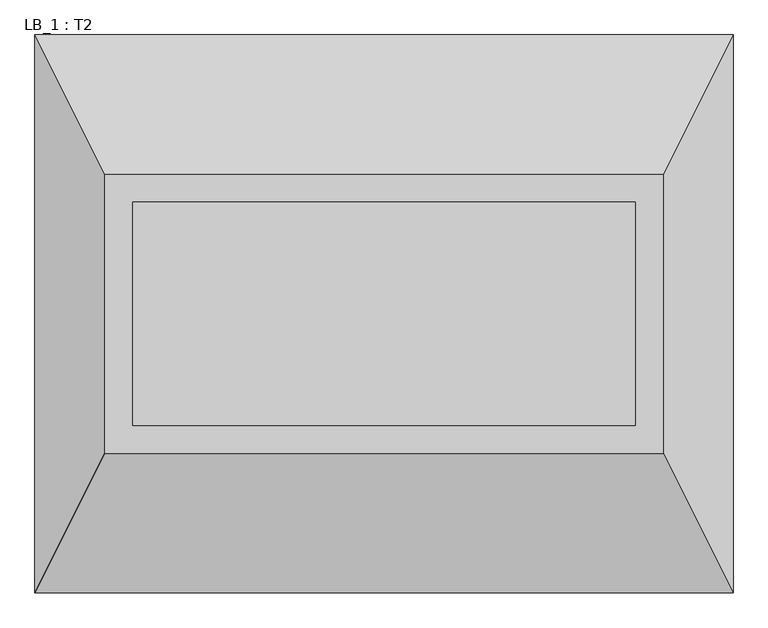
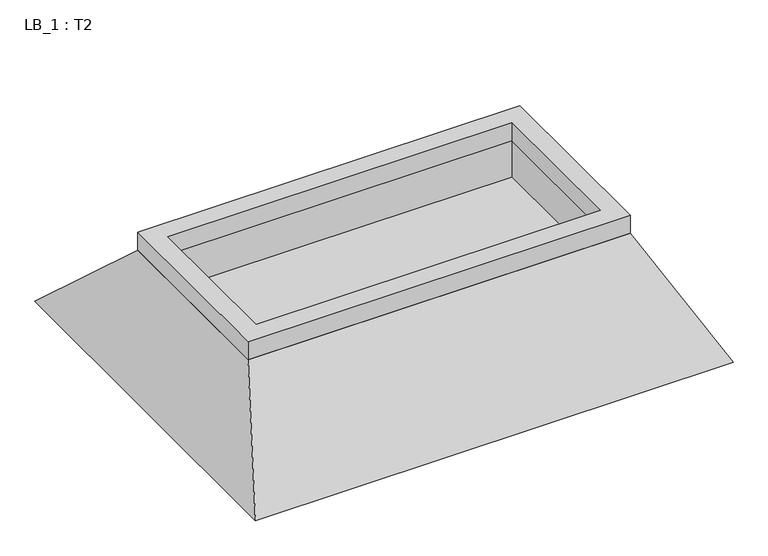
"""IFC4 building model written with IfcOpenShell, lengths in millimetres: proxy geometry, LB_1 : T2."""

from ifc_helpers import new_model, si_unit, frame, origin, place, context, project, spatial, polyline, outline, extrude, faceted_brep, source, transform, mapped, element, save


def lb_1_t2_c825649c(model_context):
    return source(origin(), model_context, "Body", "SolidModel", [
        extrude(outline(polyline([(1000.0, 500.0), (1000.0, -500.0), (-1000.0, -500.0), (-1000.0, 500.0), (1000.0, 500.0)]), holes=[polyline([(900.0, 400.0), (-900.0, 400.0), (-900.0, -400.0), (900.0, -400.0), (900.0, 400.0)])]), frame((0.0, 0.0, 500.0), z_axis=(0.0, 0.0, 1.0), x_axis=(1.0, 0.0, 0.0)), (0.0, 0.0, 1.0), 100.0),
        faceted_brep([(1000.0, 500.0, 500.0), (-1000.0, 500.0, 500.0), (-1000.0, -500.0, 500.0), (1000.0, -500.0, 500.0), (-900.0, 400.0, 500.0), (900.0, 400.0, 500.0), (900.0, -400.0, 500.0), (-900.0, -400.0, 500.0), (1250.0, 1000.0, 0.0), (1250.0, -1000.0, 0.0), (-1250.0, -1000.0, 0.0), (-1250.0, 1000.0, 0.0), (900.0, 400.0, 300.0), (-900.0, 400.0, 300.0), (-900.0, -400.0, 300.0), (900.0, -400.0, 300.0)], [[[0, 1, 2, 3], [4, 5, 6, 7]], [[8, 9, 10, 11]], [[1, 0, 8, 11]], [[2, 1, 11, 10]], [[3, 2, 10, 9]], [[0, 3, 9, 8]], [[12, 13, 14, 15]], [[13, 12, 5, 4]], [[14, 13, 4, 7]], [[15, 14, 7, 6]], [[12, 15, 6, 5]]]),
    ])


if __name__ == "__main__":
    model = new_model("IFC4")
    model_context = context("Model", 3, world=origin())
    ifc_project = project(units=[si_unit("LENGTHUNIT", "METRE", prefix="MILLI")], contexts=[model_context])
    site = spatial("IfcSite", under=ifc_project)
    building = spatial("IfcBuilding", under=site)
    placement = place(None, origin())
    lb_1_t2_shape = lb_1_t2_c825649c(model_context)
    element("IfcBuildingElementProxy", 1, Name="LB_1 : T2", ObjectType="LB_1 : T2", at=placement, inside=building, context=model_context, shape_type="MappedRepresentation", body=[
        mapped(lb_1_t2_shape, transform((0.0, 0.0, 0.0), x_axis=(1.0, 0.0, 0.0), y_axis=(0.0, 1.0, 0.0), z_axis=(0.0, 0.0, 1.0))),
    ])
    save(model, "model.ifc")
